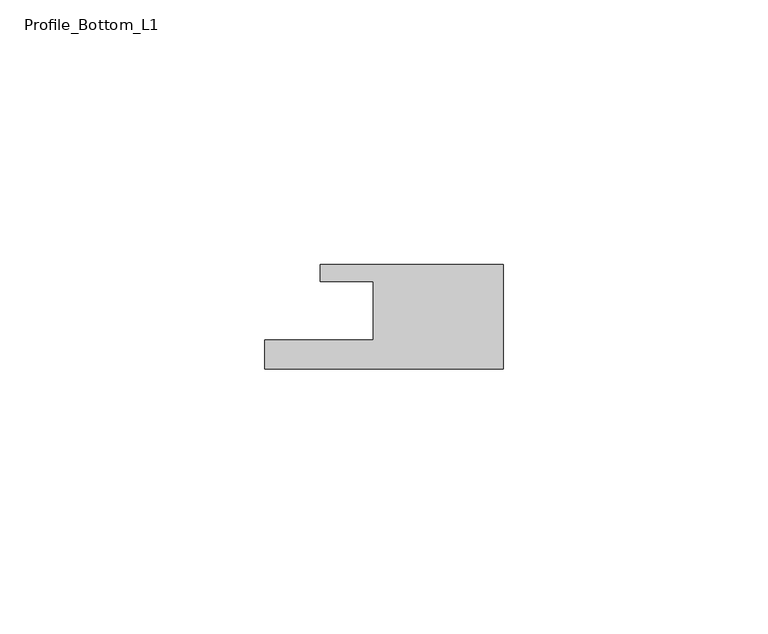
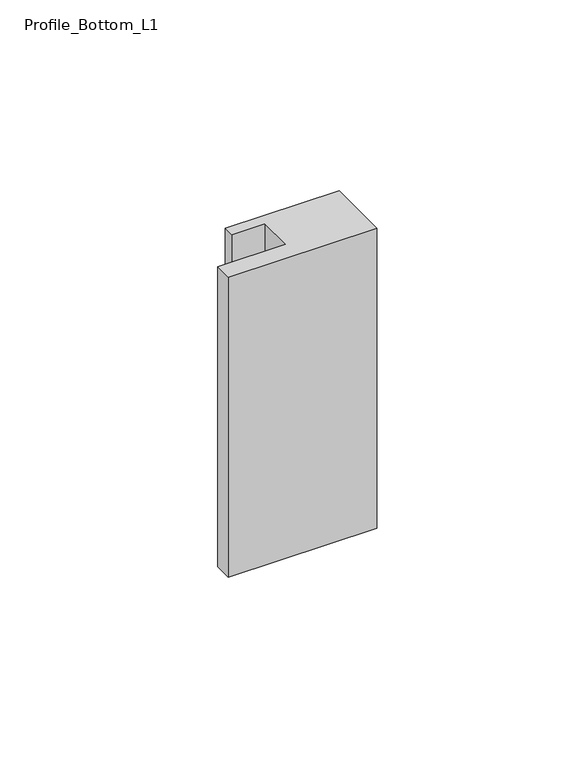
"""IFC4 building model written with IfcOpenShell, lengths in millimetres: member geometry, Profile_Bottom_L1."""

import ifcopenshell
import ifcopenshell.guid

model = None  # the IFC model being written
_history = None  # IfcOwnerHistory: only IFC2X3 demands one
_inside = {}  # id of a spatial element -> (the spatial element, [elements in it])
_under = {}  # id of a project, library or spatial element -> (it, [spatial elements below it])
_declared = {}  # id of a project -> (the project, [libraries it declares])
_typed = {}  # id of a type object -> (the type object, [elements of that type])
_made_of = {}  # id of a material, layer set ... -> (it, [elements and type objects made of it])


def new_model(schema):
    """Start an empty IFC model of exactly this schema.

    Asked for "IFC4X3", IfcOpenShell would pick the latest addendum, in which some entities
    have other attributes; the version numbers below select the first issue.
    IFC2X3 requires an IfcOwnerHistory on every rooted entity: one is made here for all.
    """
    global model, _history
    if schema == "IFC4X3":
        model = ifcopenshell.file(schema_version=(4, 3, 0, 0))
    else:
        model = ifcopenshell.file(schema=schema)
    _inside.clear()
    _under.clear()
    _declared.clear()
    _typed.clear()
    _made_of.clear()
    _history = None
    if model.schema == "IFC2X3":
        org = make("IfcOrganization", Name="unknown")
        user = make(
            "IfcPersonAndOrganization",
            ThePerson=make("IfcPerson", FamilyName="unknown"),
            TheOrganization=org,
        )
        app = make(
            "IfcApplication",
            ApplicationDeveloper=org,
            Version="unknown",
            ApplicationFullName="unknown",
            ApplicationIdentifier="unknown",
        )
        _history = make(
            "IfcOwnerHistory",
            OwningUser=user,
            OwningApplication=app,
            ChangeAction="ADDED",
            CreationDate=0,
        )
    return model


def make(cls, **values):
    """One entity of the class cls with the attributes given. An attribute that is None is left unset."""
    return model.create_entity(
        cls, **{name: value for name, value in values.items() if value is not None}
    )


def rooted(cls, **values):
    """An entity with a GlobalId (a new one), such as an element, a storey or a relation."""
    return make(cls, GlobalId=ifcopenshell.guid.new(), OwnerHistory=_history, **values)


def si_unit(unit_type, name, prefix=None):
    """IfcSIUnit, for example si_unit("LENGTHUNIT", "METRE", prefix="MILLI")."""
    return make("IfcSIUnit", UnitType=unit_type, Prefix=prefix, Name=name)


def assignment(units):
    """IfcUnitAssignment: the units of a project."""
    return None if units is None else make("IfcUnitAssignment", Units=units)


def point(xyz):
    """IfcCartesianPoint."""
    return None if xyz is None else make("IfcCartesianPoint", Coordinates=xyz)


def direction(xyz):
    """IfcDirection."""
    return None if xyz is None else make("IfcDirection", DirectionRatios=xyz)


def frame(location, z_axis=None, x_axis=None):
    """IfcAxis2Placement3D, a coordinate frame: its origin and axes. An axis left out is left unset."""
    return make(
        "IfcAxis2Placement3D",
        Location=point(location),
        Axis=direction(z_axis),
        RefDirection=direction(x_axis),
    )


def origin():
    """The frame at (0, 0, 0) with its axes left unset."""
    return frame((0.0, 0.0, 0.0))


def place(relative_to, where):
    """IfcLocalPlacement: puts the frame where relative to a parent placement (None: the world)."""
    return make(
        "IfcLocalPlacement", PlacementRelTo=relative_to, RelativePlacement=where
    )


def context(
    kind, dimensions, precision=None, world=None, true_north=None, identifier=None
):
    """IfcGeometricRepresentationContext, for example the 3D "Model" context."""
    return make(
        "IfcGeometricRepresentationContext",
        ContextIdentifier=identifier,
        ContextType=kind,
        CoordinateSpaceDimension=dimensions,
        Precision=precision,
        WorldCoordinateSystem=world,
        TrueNorth=true_north,
    )


def project(units=None, contexts=None):
    """IfcProject with its units and contexts."""
    return rooted(
        "IfcProject",
        Name="project",
        RepresentationContexts=contexts,
        UnitsInContext=assignment(units),
    )


def spatial(cls, under=None, at=None, **own):
    """A site, building, storey or space (cls), placed at a placement, below another one or the project."""
    s = rooted(cls, ObjectPlacement=at, **own)
    if under is not None:
        _under.setdefault(under.id(), (under, []))[1].append(s)
    return s


def polyline(points):
    """IfcPolyline through the points."""
    return make("IfcPolyline", Points=[point(p) for p in points])


def outline(outer, holes=None, kind="AREA"):
    """IfcArbitraryClosedProfileDef: a profile drawn as a closed curve; with holes, ...WithVoids."""
    if holes is None:
        return make("IfcArbitraryClosedProfileDef", ProfileType=kind, OuterCurve=outer)
    return make(
        "IfcArbitraryProfileDefWithVoids",
        ProfileType=kind,
        OuterCurve=outer,
        InnerCurves=holes,
    )


def extrude(swept, where, along, depth):
    """IfcExtrudedAreaSolid: the profile swept, set in the frame where, extruded along a direction by depth."""
    return make(
        "IfcExtrudedAreaSolid",
        SweptArea=swept,
        Position=where,
        ExtrudedDirection=direction(along),
        Depth=depth,
    )


def shape(context_of_items, identifier, shape_type, items):
    """IfcShapeRepresentation: the items that make up one representation, for example the "Body"."""
    return make(
        "IfcShapeRepresentation",
        ContextOfItems=context_of_items,
        RepresentationIdentifier=identifier,
        RepresentationType=shape_type,
        Items=items,
    )


def source(mapping_origin, context_of_items, identifier, shape_type, items):
    """IfcRepresentationMap: a shape defined once, which mapped items show again and again."""
    return make(
        "IfcRepresentationMap",
        MappingOrigin=mapping_origin,
        MappedRepresentation=shape(context_of_items, identifier, shape_type, items),
    )


def transform(
    local_origin,
    x_axis=None,
    y_axis=None,
    z_axis=None,
    scale=None,
    scale2=None,
    scale3=None,
    uniform=True,
):
    """IfcCartesianTransformationOperator3D, or its non-uniform kind. x_axis, y_axis, z_axis: its Axis1, 2, 3."""
    if uniform:
        return make(
            "IfcCartesianTransformationOperator3D",
            Axis1=direction(x_axis),
            Axis2=direction(y_axis),
            LocalOrigin=point(local_origin),
            Scale=scale,
            Axis3=direction(z_axis),
        )
    return make(
        "IfcCartesianTransformationOperator3DnonUniform",
        Axis1=direction(x_axis),
        Axis2=direction(y_axis),
        LocalOrigin=point(local_origin),
        Scale=scale,
        Axis3=direction(z_axis),
        Scale2=scale2,
        Scale3=scale3,
    )


def mapped(mapping_source, mapping_target):
    """IfcMappedItem: shows the shape of a source again, moved by a transform."""
    return make(
        "IfcMappedItem", MappingSource=mapping_source, MappingTarget=mapping_target
    )


def made_of(thing, what):
    """Note that an element or type object is made of a material, layer set ...; save() writes the relation."""
    if what is not None:
        _made_of.setdefault(what.id(), (what, []))[1].append(thing)
    return thing


def element(
    cls,
    number,
    at=None,
    inside=None,
    cuts=None,
    type_object=None,
    material=None,
    context=None,
    identifier="Body",
    shape_type=None,
    held_by="IfcProductDefinitionShape",
    body=None,
    shapes=None,
    **own,
):
    """One element of the class cls, such as IfcWall. Its Tag is "e" and its number.

    at: its placement. inside: the storey or other place that contains it. cuts: it is an
    opening in that element (IfcRelVoidsElement). A single representation is given by context,
    identifier, shape_type and body (its items); several are given by shapes. held_by: the class
    of the entity that holds the representations. save() writes the other relations.
    """
    e = rooted(cls, Tag="e%d" % number, ObjectPlacement=at, **own)
    if body is not None:
        shapes = [shape(context, identifier, shape_type, body)]
    if shapes is not None:
        e.Representation = make(held_by, Representations=shapes)
    if inside is not None:
        _inside.setdefault(inside.id(), (inside, []))[1].append(e)
    if cuts is not None:
        rooted(
            "IfcRelVoidsElement", RelatingBuildingElement=cuts, RelatedOpeningElement=e
        )
    if type_object is not None:
        _typed.setdefault(type_object.id(), (type_object, []))[1].append(e)
    return made_of(e, material)


def aggregate(whole, parts):
    """IfcRelAggregates: a whole, such as a stair, and the parts it consists of."""
    return rooted("IfcRelAggregates", RelatingObject=whole, RelatedObjects=parts)


def save(model, path):
    """Write the relations noted so far, then the file.

    IfcRelAggregates (storeys below a building ...), IfcRelContainedInSpatialStructure (elements
    in a storey), IfcRelDefinesByType, IfcRelAssociatesMaterial and IfcRelDeclares: one each for
    every whole, place, type object, material and project.
    """
    for whole, parts in _under.values():
        aggregate(whole, parts)
    for where, things in _inside.values():
        rooted(
            "IfcRelContainedInSpatialStructure",
            RelatedElements=things,
            RelatingStructure=where,
        )
    for kind, things in _typed.values():
        rooted("IfcRelDefinesByType", RelatedObjects=things, RelatingType=kind)
    for what, things in _made_of.values():
        rooted("IfcRelAssociatesMaterial", RelatedObjects=things, RelatingMaterial=what)
    for by, libraries in _declared.values():
        rooted("IfcRelDeclares", RelatingContext=by, RelatedDefinitions=libraries)
    model.write(path)


def profile_bottom_l1_0a445b54(model_context):
    return source(origin(), model_context, "Body", "SweptSolid", [
        extrude(outline(polyline([(-45.0, -5.5), (-24.5, -5.5), (-24.5, 5.5), (-34.5, 5.5), (-34.5, 8.7), (0.0, 8.7), (0.0, -11.0), (-45.0, -11.0), (-45.0, -5.5)])), frame((0.0, 0.0, -96.0), z_axis=(0.0, 0.0, 1.0), x_axis=(1.0, 0.0, 0.0)), (0.0, 0.0, 1.0), 96.0),
    ])


if __name__ == "__main__":
    model = new_model("IFC4")
    model_context = context("Model", 3, world=origin())
    ifc_project = project(units=[si_unit("LENGTHUNIT", "METRE", prefix="MILLI")], contexts=[model_context])
    site = spatial("IfcSite", under=ifc_project)
    building = spatial("IfcBuilding", under=site)
    placement = place(None, origin())
    profile_bottom_l1_shape = profile_bottom_l1_0a445b54(model_context)
    element("IfcMember", 1, ObjectType="Profile_Bottom_L1", at=placement, inside=building, context=model_context, shape_type="MappedRepresentation", body=[
        mapped(profile_bottom_l1_shape, transform((0.0, 0.0, 0.0), x_axis=(1.0, 0.0, 0.0), y_axis=(0.0, 1.0, 0.0), z_axis=(0.0, 0.0, 1.0))),
    ])
    save(model, "model.ifc")
